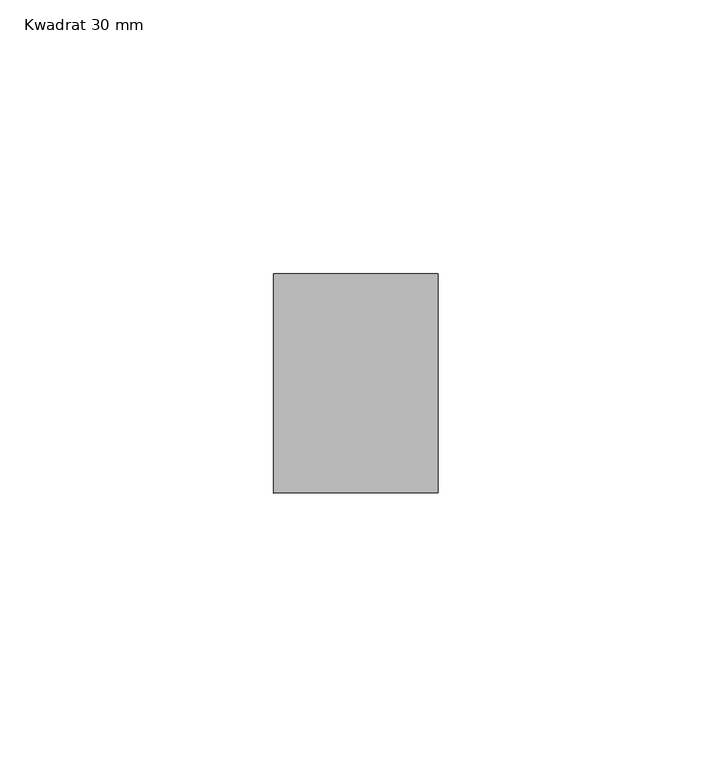
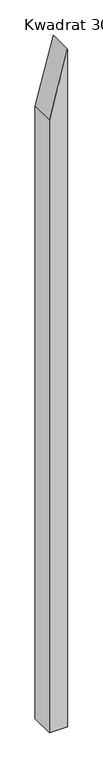
"""IFC4 building model written with IfcOpenShell, lengths in millimetres: member geometry, Kwadrat 30 mm."""

from ifc_helpers import new_model, si_unit, frame, origin, place, context, project, spatial, polyline, outline, extrude, source, transform, mapped, element, save


def kwadrat_30_mm_ed4b9595(model_context):
    return source(origin(), model_context, "Body", "SweptSolid", [
        extrude(outline(polyline([(30.0, 0.0), (-81.9615242, -30.0), (-1138.163737, -30.0), (-1138.163737, 0.0), (30.0, 0.0)])), frame((0.0, -20.0, 0.0), z_axis=(0.0, 1.0, 0.0), x_axis=(0.0, 0.0, 1.0)), (0.0, 0.0, 1.0), 40.0),
    ])


if __name__ == "__main__":
    model = new_model("IFC4")
    model_context = context("Model", 3, world=origin())
    ifc_project = project(units=[si_unit("LENGTHUNIT", "METRE", prefix="MILLI")], contexts=[model_context])
    site = spatial("IfcSite", under=ifc_project)
    building = spatial("IfcBuilding", under=site)
    placement = place(None, origin())
    kwadrat_30_mm_shape = kwadrat_30_mm_ed4b9595(model_context)
    element("IfcMember", 1, ObjectType="Kwadrat 30 mm", at=placement, inside=building, context=model_context, shape_type="MappedRepresentation", body=[
        mapped(kwadrat_30_mm_shape, transform((0.0, 0.0, 0.0), x_axis=(1.0, 0.0, 0.0), y_axis=(0.0, 1.0, 0.0), z_axis=(0.0, 0.0, 1.0))),
    ])
    save(model, "model.ifc")
